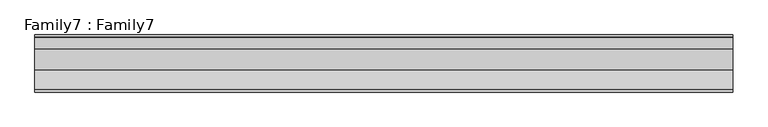
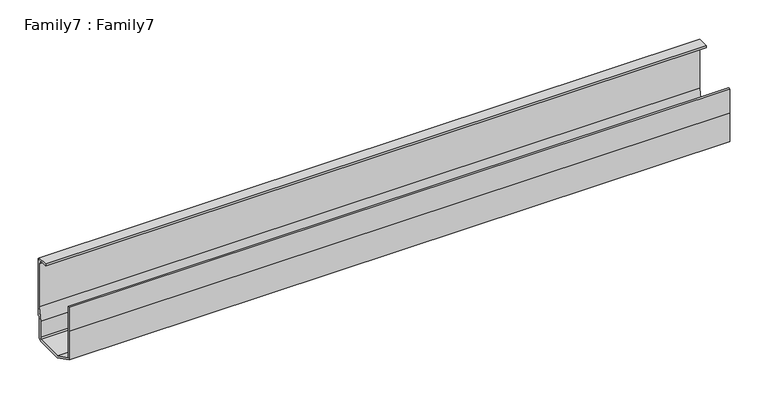
"""IFC4 building model written with IfcOpenShell, lengths in millimetres: proxy geometry, Family7 : Family7."""

from ifc_helpers import new_model, si_unit, point, frame, frame_2d, origin, place, context, project, spatial, polyline, circle_curve, trimmed, segment, composite_curve, outline, extrude, source, transform, mapped, element, save


def family7_family7_40d58eb0(model_context):
    return source(origin(), model_context, "Body", "SweptSolid", [
        extrude(outline(composite_curve([segment(polyline([(-2.4188978, 38.0298618), (-2.4188978, 3.852789)]), True, "CONTINUOUS"), segment(trimmed(circle_curve(frame_2d((-8.9326559, 6.9796107)), 7.225376), [point((-2.4188978, 3.852789))], [point((-6.8801692, 0.051887))], False, "CARTESIAN"), True, "CONTINUOUS"), segment(polyline([(-6.8801692, 0.051887), (-49.7763679, -0.0267964), (-81.8551037, 15.774593), (-81.8551037, 61.6010876), (-81.8551037, 100.0), (-78.8524036, 100.0), (-78.8524036, 17.6708356), (-50.8828254, 3.9230769), (-7.5849703, 4.2397494)]), True, "CONTINUOUS"), segment(trimmed(circle_curve(frame_2d((-9.2695502, 6.2709967)), 2.6388965), [point((-7.5849703, 4.2397494))], [point((-6.6368491, 6.4517164))], True, "CARTESIAN"), True, "CONTINUOUS"), segment(polyline([(-6.6368491, 6.4517164), (-6.6368491, 31.892655), (-2.8443639, 53.067996), (-2.8443639, 124.8085418), (-5.847064, 124.8085418), (-5.847064, 128.9176994), (-19.9105472, 128.9176994), (-19.9105472, 131.9194515), (-3.0027001, 131.9194515), (-2.8443639, 128.6010269), (0.0, 128.6010269), (0.0, 38.7222215)]), True, "CONTINUOUS"), segment(trimmed(circle_curve(frame_2d((-1.7074389, 40.1158699)), 2.2039972), [point((0.0, 38.7222215))], [point((-2.4188978, 38.0298618))], False, "CARTESIAN"), True, "CONTINUOUS")], self_intersect=False)), frame((0.0, 0.0, 0.0), z_axis=(1.0, 0.0, 0.0), x_axis=(0.0, 1.0, 0.0)), (0.0, 0.0, 1.0), 1000.0),
    ])


if __name__ == "__main__":
    model = new_model("IFC4")
    model_context = context("Model", 3, world=origin())
    ifc_project = project(units=[si_unit("LENGTHUNIT", "METRE", prefix="MILLI")], contexts=[model_context])
    site = spatial("IfcSite", under=ifc_project)
    building = spatial("IfcBuilding", under=site)
    placement = place(None, origin())
    family7_family7_shape = family7_family7_40d58eb0(model_context)
    element("IfcBuildingElementProxy", 1, Name="Family7 : Family7", ObjectType="Family7 : Family7", at=placement, inside=building, context=model_context, shape_type="MappedRepresentation", body=[
        mapped(family7_family7_shape, transform((0.0, 0.0, 0.0), x_axis=(1.0, 0.0, 0.0), y_axis=(0.0, 1.0, 0.0), z_axis=(0.0, 0.0, 1.0))),
    ])
    save(model, "model.ifc")
